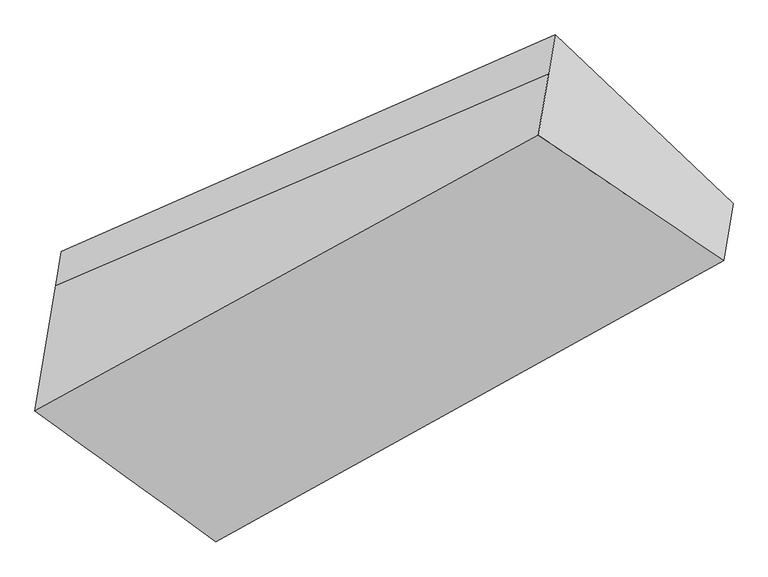
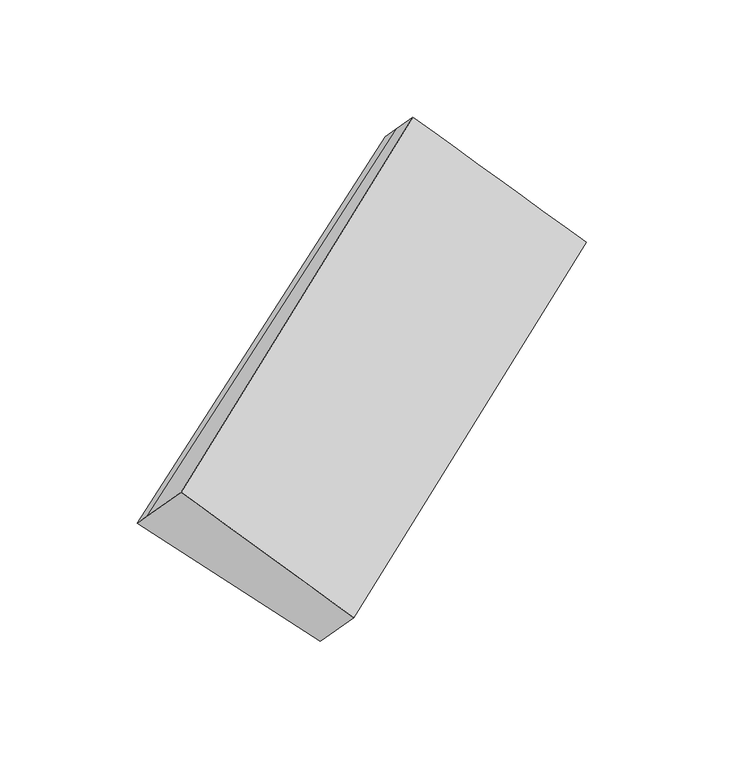
"""IFC4 building model written with IfcOpenShell, lengths in millimetres: proxy geometry."""

from ifc_helpers import new_model, si_unit, frame, origin, place, context, project, spatial, source, transform, mapped, element, save
from ifc_brep_helpers import plane_surface, spline_surface, advanced_brep


def generic_models_7ff8d8e4(model_context):
    return source(origin(), model_context, "Body", "AdvancedBrep", [
        advanced_brep(
        [(-3777.4629782, -1497.1134102, 1524.2060628), (-3793.9982923, -1596.9027842, 1620.9979232), (-2337.3974492, -970.1779334, 2529.7926718), (-2318.4999473, -856.1329346, 2419.1734028), (-3261.2144636, -1996.1204887, 1097.9380641), (-1792.6274853, -1355.0036904, 1994.6900431), (-3320.6104205, -2354.5706105, 1445.6209161), (-1820.5807241, -1523.699379, 2158.3183824), (-3855.5707155, -1968.4877156, 1981.4210361), (-2367.6629752, -1152.8281013, 2706.9563201)],
        [
            (0, 1),
            (1, 2),
            (2, 3),
            (3, 0),
            (4, 0),
            (0, 5),
            (5, 4),
            (6, 4),
            (5, 7),
            (7, 6),
            (8, 6),
            (7, 9),
            (9, 8),
            (1, 8),
            (9, 2),
            (5, 3),
        ],
        [
            plane_surface(frame((-3785.7306353, -1547.0080972, 1572.601993), z_axis=(-0.5915102898126824, 0.6097397933077493, 0.5275727073141102), x_axis=(-0.11810938643178695, -0.7127812425713679, 0.6913704311547635))),
            plane_surface(frame((-3519.3387209, -1746.6169495, 1311.0720635), z_axis=(0.11368580511534351, 0.7106804749831966, -0.6942685360816336), x_axis=(-0.6182616942013136, 0.5976132675858301, 0.5105005973441252))),
            plane_surface(frame((-3290.912442, -2175.3455496, 1271.7794901), z_axis=(0.5894807686739401, -0.6106190337070364, -0.5288258872618343), x_axis=(0.11810938643183687, 0.7127812425713917, -0.6913704311547305))),
            spline_surface(1, 1, [[(-3855.5707155, -1968.4877156, 1981.4210361), (-2367.6629752, -1152.8281013, 2706.9563201)], [(-3320.6104205, -2354.5706105, 1445.6209161), (-1820.5807241, -1523.699379, 2158.3183824)]], [2, 2], [2, 2], [0.0, 1.0], [0.0, 1.0]),
            plane_surface(frame((-3824.7845039, -1782.6952499, 1801.2094796), z_axis=(-0.5915102898126827, 0.6097397933077465, 0.527572707314113), x_axis=(-0.11810938643185305, -0.7127812425714001, 0.6913704311547191))),
            plane_surface(frame((-2074.842783, -1221.9160263, 2319.7845371), z_axis=(0.7707955548707304, 0.37313952579843934, 0.5163730307427365), x_axis=(0.11810938643183687, 0.7127812425713917, -0.6913704311547305))),
            plane_surface(frame((-3553.7146444, -1954.0730563, 1512.2965198), z_axis=(-0.7770473925829868, -0.36715294176102087, -0.5112690749851884), x_axis=(0.11810938643183085, 0.7127812425713891, -0.6913704311547343))),
            plane_surface(frame((-3777.4629782, -1497.1134102, 1524.2060628), z_axis=(0.1136993654010938, 0.7106356452085336, -0.6943122021586832), x_axis=(-0.6260386453153011, 0.5938937569341042, 0.5053373329237393))),
        ],
        [
            (0, [[1, 2, 3, 4]]),
            (1, [[5, 6, 7]]),
            (2, [[8, -7, 9, 10]]),
            (3, [[11, -10, 12, 13]]),
            (4, [[14, -13, 15, -2]]),
            (5, [[-9, 16, -3, -15, -12]]),
            (6, [[-1, -5, -8, -11, -14]]),
            (7, [[-16, -6, -4]]),
        ],
    ),
    ])


if __name__ == "__main__":
    model = new_model("IFC4")
    model_context = context("Model", 3, world=origin())
    ifc_project = project(units=[si_unit("LENGTHUNIT", "METRE", prefix="MILLI")], contexts=[model_context])
    site = spatial("IfcSite", under=ifc_project)
    building = spatial("IfcBuilding", under=site)
    placement = place(None, origin())
    generic_models_shape = generic_models_7ff8d8e4(model_context)
    element("IfcBuildingElementProxy", 1, Name="Generic Models", at=placement, inside=building, context=model_context, shape_type="MappedRepresentation", body=[
        mapped(generic_models_shape, transform((0.0, 0.0, 0.0), x_axis=(1.0, 0.0, 0.0), y_axis=(0.0, 1.0, 0.0), z_axis=(0.0, 0.0, 1.0))),
    ])
    save(model, "model.ifc")
